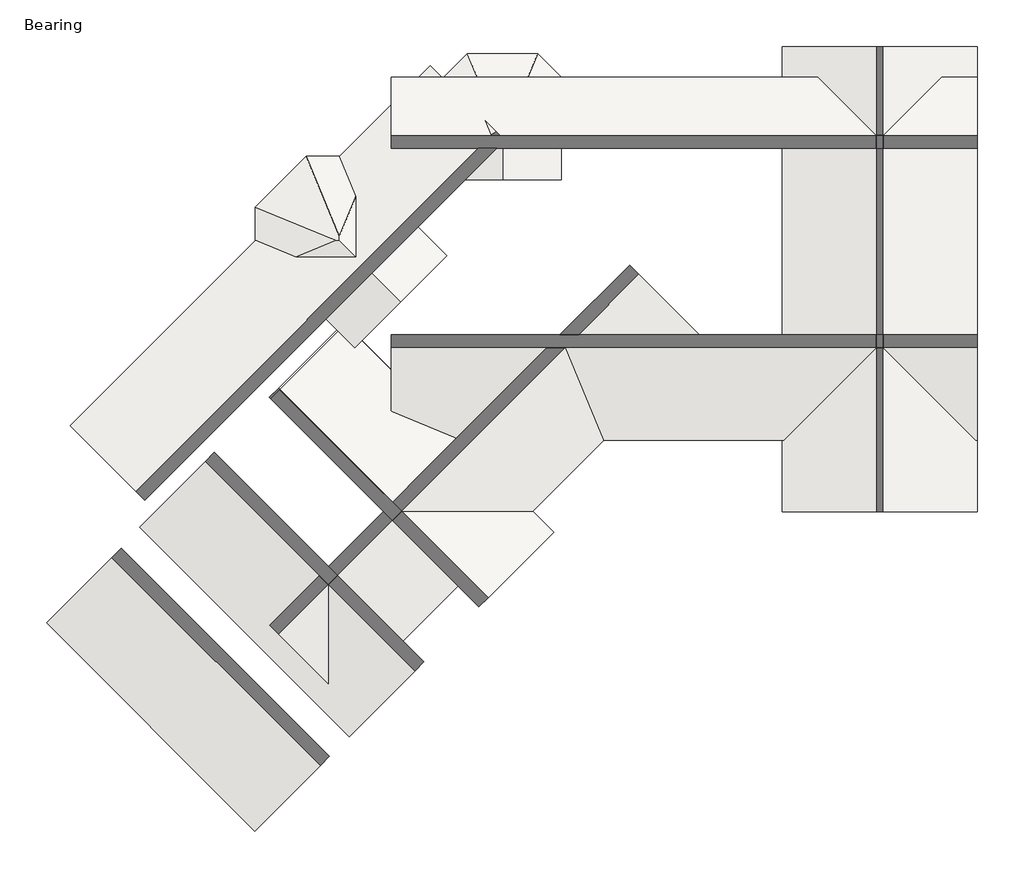
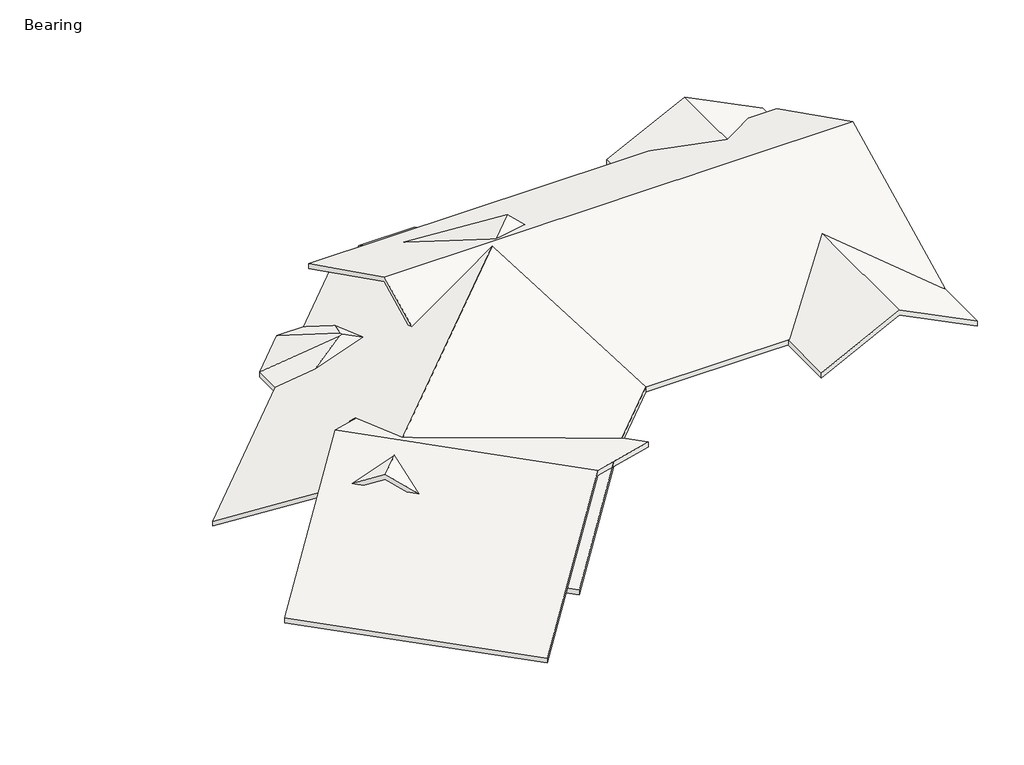
# One storey: 7 roofs.
"""IFC4 building model written with IfcOpenShell, lengths in millimetres."""

from ifc_helpers import new_model, si_unit, frame, origin, place, context, project, spatial, polyline, outline, extrude, faceted_brep, element, save

model = new_model("IFC4")

# Units and contexts
model_context = context("Model", 3, world=origin())
ifc_project = project(units=[si_unit("LENGTHUNIT", "METRE", prefix="MILLI")], contexts=[model_context])

# Site, building, storey
site = spatial("IfcSite", under=ifc_project)
building = spatial("IfcBuilding", under=site)
storey = spatial("IfcBuildingStorey", under=building, Name="Bearing", Elevation=2771.775)

# Roofs
placement = place(None, origin())
element("IfcRoof", 1, ObjectType="Generic - 6\"", at=placement, inside=storey, context=model_context, shape_type="SweptSolid", body=[
    extrude(outline(polyline([(10960.1, 3962.4), (5480.0500001, 1222.375), (0.0, 3962.4), (0.0, 4132.7883799), (5480.0500001, 1392.7633799), (10960.1, 4132.7883799), (10960.1, 3962.4)])), frame((-396.5615475, -5176.1217982, 6734.175), z_axis=(-0.707106781186547, 0.707106781186548, 0.0), x_axis=(0.707106781186548, 0.707106781186547, 0.0)), (0.0, 0.0, 1.0), 7632.7),
])
element("IfcRoof", 2, ObjectType="Generic - 6\"", at=placement, inside=storey, context=model_context, shape_type="SweptSolid", body=[
    extrude(outline(polyline([(7493.0, 3962.4), (3746.5, 2089.15), (0.0, 3962.4), (0.0, 4132.7883799), (3746.5, 2259.5383799), (7493.0, 4132.7883799), (7493.0, 3962.4)])), frame((2055.0483736, -2724.5118771, 6734.175), z_axis=(-0.707106781186547, 0.707106781186548, 0.0), x_axis=(0.707106781186548, 0.707106781186547, 0.0)), (0.0, 0.0, 1.0), 7683.5),
])
element("IfcRoof", 3, ObjectType="Generic - 6\"", at=placement, inside=storey, context=model_context, shape_type="Brep", body=[
    faceted_brep([(4512.5575111, 11712.8765887, 2829.9866201), (4512.5575111, 13728.3793421, 2829.9866201), (5876.4990253, 13163.4162687, 3511.9573772), (6031.6841364, 13008.2311575, 3589.5499328), (6031.6841364, 11712.8765887, 3589.5499328), (7550.8107618, 11712.8765887, 2829.9866201), (6186.8692476, 13163.4162687, 3511.9573772), (7550.8107618, 13728.3793421, 2829.9866201), (7550.8107618, 14374.9577828, 2601.3866201), (6941.2107618, 14984.5577828, 2601.3866201), (5122.1575111, 14984.5577828, 2601.3866201), (4512.5575111, 14374.9577828, 2601.3866201), (4512.5575111, 11712.8765887, 3000.375), (6031.6841364, 11712.8765887, 3759.9383127), (6031.6841364, 13008.2311575, 3759.9383127), (5876.4990253, 13163.4162687, 3682.3457571), (4512.5575111, 13728.3793421, 3000.375), (7550.8107618, 11712.8765887, 3000.375), (7550.8107618, 13728.3793421, 3000.375), (6186.8692476, 13163.4162687, 3682.3457571), (7550.8107618, 14374.9577828, 2771.775), (6941.2107618, 14984.5577828, 2771.775), (5122.1575111, 14984.5577828, 2771.775), (4512.5575111, 14374.9577828, 2771.775)], [[[0, 1, 2, 3, 4]], [[5, 4, 3, 6, 7]], [[8, 7, 6, 9]], [[9, 6, 3, 2, 10]], [[10, 2, 1, 11]], [[12, 13, 14, 15, 16]], [[17, 18, 19, 14, 13]], [[18, 20, 21, 19]], [[21, 22, 15, 14, 19]], [[22, 23, 16, 15]], [[7, 18, 17, 5]], [[9, 21, 20, 8]], [[10, 22, 21, 9]], [[11, 23, 22, 10]], [[0, 12, 16, 1]], [[16, 23, 11, 1]], [[17, 13, 12, 0, 4, 5]], [[20, 18, 7, 8]]]),
])
element("IfcRoof", 4, ObjectType="Generic - 6\"", at=placement, inside=storey, context=model_context, shape_type="Brep", body=[
    faceted_brep([(2202.4219115, 7355.0249308, 2829.9866201), (80.5059604, 9476.9408819, 2829.9866201), (1700.3073465, 10147.8845844, 3639.8873132), (1797.8979647, 10147.8845844, 3674.3908071), (3396.5897649, 8549.1927841, 3674.3908071), (4590.7576183, 9743.3606375, 2829.9866201), (1797.8979647, 10245.4752026, 3639.8873132), (2468.8416671, 11865.2765887, 2829.9866201), (2011.6416671, 12322.4765887, 2601.3866201), (937.5758215, 12322.4765887, 2601.3866201), (-376.6940396, 11008.2067276, 2601.3866201), (-376.6940396, 9934.1408819, 2601.3866201), (2202.4219115, 7355.0249308, 3000.375), (3396.5897649, 8549.1927841, 3844.779187), (1797.8979647, 10147.8845844, 3844.779187), (1700.3073465, 10147.8845844, 3810.2756931), (80.5059604, 9476.9408819, 3000.375), (4590.7576183, 9743.3606375, 3000.375), (2468.8416671, 11865.2765887, 3000.375), (1797.8979647, 10245.4752026, 3810.2756931), (2011.6416671, 12322.4765887, 2771.775), (937.5758215, 12322.4765887, 2771.775), (-376.6940396, 11008.2067276, 2771.775), (-376.6940396, 9934.1408819, 2771.775)], [[[0, 1, 2, 3, 4]], [[5, 4, 3, 6, 7]], [[8, 7, 6, 9]], [[9, 6, 3, 2, 10]], [[10, 2, 1, 11]], [[12, 13, 14, 15, 16]], [[17, 18, 19, 14, 13]], [[18, 20, 21, 19]], [[21, 22, 15, 14, 19]], [[22, 23, 16, 15]], [[7, 18, 17, 5]], [[9, 21, 20, 8]], [[10, 22, 21, 9]], [[11, 23, 22, 10]], [[0, 12, 16, 1]], [[16, 23, 11, 1]], [[17, 13, 12, 0, 4, 5]], [[20, 18, 7, 8]]]),
])
element("IfcRoof", 5, ObjectType="Generic - 6\"", at=placement, inside=storey, context=model_context, shape_type="SweptSolid", body=[
    extrude(outline(polyline([(2751.6633799, 18346.9043792), (4018.4883799, 15813.2543792), (2751.6633799, 13279.6043792), (2581.275, 13279.6043792), (3848.1, 15813.2543792), (2581.275, 18346.9043792), (2751.6633799, 18346.9043792)])), frame((0.0, 3104.0175305, 0.0), z_axis=(0.0, 1.0, 0.0), x_axis=(0.0, 0.0, 1.0)), (0.0, 0.0, 1.0), 12065.0),
])
element("IfcRoof", 6, ObjectType="Generic - 6\"", at=placement, inside=storey, context=model_context, shape_type="Brep", body=[
    faceted_brep([(18346.9043792, 10111.0876567, 5180.0537966), (18346.9043792, 4953.7533038, 2601.3866201), (3145.5365063, 4953.7533038, 2601.3866201), (3145.5365063, 8563.4502742, 4406.2351053), (3145.5365063, 8763.0726784, 4506.0463074), (3145.5365063, 10111.0876567, 5180.0537966), (6399.9325492, 10111.0876567, 5180.0537966), (7001.3761007, 10111.0876567, 5180.0537966), (3145.5365063, 14374.9577828, 3048.1187335), (18346.9043792, 14374.9577828, 3048.1187335), (18346.9043792, 4953.7533038, 2771.775), (18346.9043792, 10111.0876567, 5350.4421764), (3145.5365063, 10111.0876567, 5350.4421764), (3145.5365063, 8563.4502742, 4576.6234852), (3145.5365063, 8363.8278701, 4476.8122832), (3145.5365063, 4953.7533038, 2771.775), (8173.7517045, 4953.7533038, 2771.775), (8655.6828199, 4953.7533038, 2771.775), (18346.9043792, 14374.9577828, 3218.5071134), (3145.5365063, 14374.9577828, 3218.5071134)], [[[0, 1, 2, 3, 4, 5, 6, 7]], [[8, 9, 0, 7, 6, 5]], [[10, 11, 12, 13, 14, 15, 16, 17]], [[18, 19, 12, 11]], [[8, 19, 18, 9]], [[1, 10, 17, 16, 15, 2]], [[18, 11, 10, 1, 0, 9]], [[15, 14, 13, 12, 19, 8, 5, 4, 3, 2]]]),
])
element("IfcRoof", 7, ObjectType="Generic - 6\"", at=placement, inside=storey, context=model_context, shape_type="Brep", body=[
    faceted_brep([(-1626.8566361, 1783.5766957, 5115.9866201), (-5183.03806, 5339.7581196, 2601.3866201), (4151.9381779, 14674.7343575, 2601.3866201), (5585.2269594, 13241.445576, 3614.8748369), (6828.7886778, 10239.2220096, 5115.9866201), (6572.519972, 9982.9533038, 5115.9866201), (3145.5365063, 8563.4502742, 4406.2351053), (3145.5365063, 8363.8278701, 4476.8122832), (6231.7432123, 9642.176544, 5115.9866201), (1929.3247879, -1772.6047283, 2601.3866201), (8173.7517045, 4953.7533038, 2771.775), (8655.6828199, 4953.7533038, 2601.3866201), (8072.3503963, 10754.322139, 4858.4365554), (11264.3010257, 7562.3715096, 2601.3866201), (8655.6828199, 4953.7533038, 2601.3866201), (4151.9381779, 14674.7343575, 2771.775), (-5183.03806, 5339.7581196, 2771.775), (-1626.8566361, 1783.5766957, 5286.375), (6572.519972, 9982.9533038, 5286.375), (3145.5365063, 8563.4502742, 4576.6234852), (3145.5365063, 8763.0726784, 4506.0463074), (6399.9325492, 10111.0876567, 5180.0537966), (4762.5190842, 14064.1534511, 3203.5208993), (1929.3247879, -1772.6047283, 2771.775), (8655.6828199, 4953.7533038, 2771.775), (8996.4595797, 5294.5300635, 2771.775), (11264.3010257, 7562.3715096, 2771.775), (8213.504752, 10613.1677834, 4929.0137332), (7001.3761007, 10111.0876567, 5180.0537966)], [[[0, 1, 2, 3, 4, 5, 6, 7, 8]], [[9, 0, 8, 10, 11]], [[5, 4, 12, 13, 14]], [[15, 16, 17, 18, 19, 20, 21, 22]], [[17, 23, 24, 18]], [[25, 26, 27, 28]], [[23, 9, 11, 24]], [[13, 26, 25, 14]], [[16, 15, 2, 1]], [[1, 0, 9, 23, 17, 16]], [[26, 13, 12, 27]], [[2, 15, 22, 3]], [[20, 6, 5, 14, 25, 28, 21]], [[21, 28, 27, 12, 4, 3, 22]], [[24, 10, 8, 7, 19, 18]], [[10, 24, 11]], [[6, 20, 19, 7]]]),
    faceted_brep([(6407.9348345, 12418.7377008, 4196.6171544), (7708.1196018, 11118.5529335, 5115.9866201), (7169.5654376, 10579.9987693, 5115.9866201), (7931.1960407, 10895.4764946, 4958.2477575), (7708.1196018, 11118.5529335, 5286.375), (5585.2269594, 13241.445576, 3785.2632168), (6828.7886778, 10239.2220096, 5286.375), (8072.3503963, 10754.322139, 5028.8249353)], [[[0, 1, 2]], [[2, 1, 3]], [[4, 5, 6]], [[7, 4, 6]], [[1, 0, 5, 4, 7, 3]], [[0, 2, 3, 7, 6, 5]]]),
])

save(model, "model.ifc")
